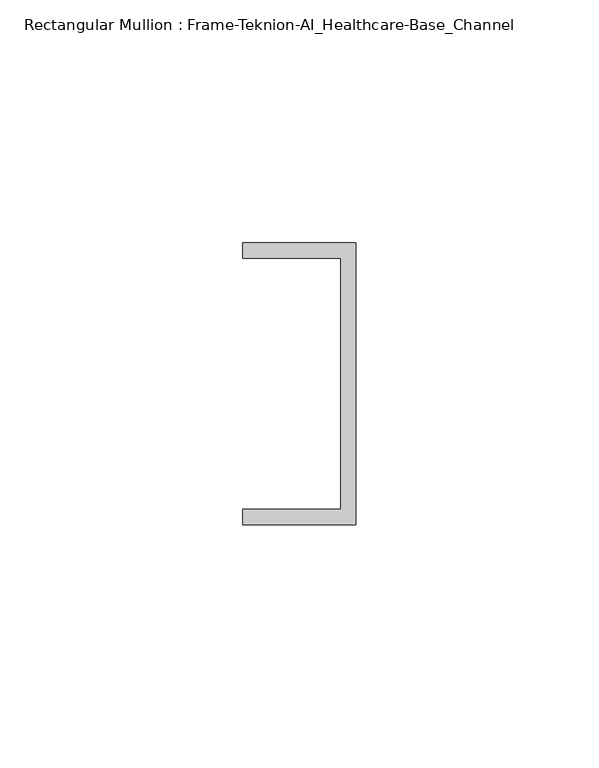
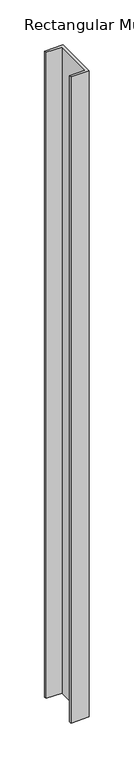
"""IFC4 building model written with IfcOpenShell, lengths in millimetres: member geometry, Rectangular Mullion : Frame-Teknion-AI_Healthcare-Base_Channel."""

import ifcopenshell
import ifcopenshell.guid

model = None  # the IFC model being written
_history = None  # IfcOwnerHistory: only IFC2X3 demands one
_inside = {}  # id of a spatial element -> (the spatial element, [elements in it])
_under = {}  # id of a project, library or spatial element -> (it, [spatial elements below it])
_declared = {}  # id of a project -> (the project, [libraries it declares])
_typed = {}  # id of a type object -> (the type object, [elements of that type])
_made_of = {}  # id of a material, layer set ... -> (it, [elements and type objects made of it])


def new_model(schema):
    """Start an empty IFC model of exactly this schema.

    Asked for "IFC4X3", IfcOpenShell would pick the latest addendum, in which some entities
    have other attributes; the version numbers below select the first issue.
    IFC2X3 requires an IfcOwnerHistory on every rooted entity: one is made here for all.
    """
    global model, _history
    if schema == "IFC4X3":
        model = ifcopenshell.file(schema_version=(4, 3, 0, 0))
    else:
        model = ifcopenshell.file(schema=schema)
    _inside.clear()
    _under.clear()
    _declared.clear()
    _typed.clear()
    _made_of.clear()
    _history = None
    if model.schema == "IFC2X3":
        org = make("IfcOrganization", Name="unknown")
        user = make(
            "IfcPersonAndOrganization",
            ThePerson=make("IfcPerson", FamilyName="unknown"),
            TheOrganization=org,
        )
        app = make(
            "IfcApplication",
            ApplicationDeveloper=org,
            Version="unknown",
            ApplicationFullName="unknown",
            ApplicationIdentifier="unknown",
        )
        _history = make(
            "IfcOwnerHistory",
            OwningUser=user,
            OwningApplication=app,
            ChangeAction="ADDED",
            CreationDate=0,
        )
    return model


def make(cls, **values):
    """One entity of the class cls with the attributes given. An attribute that is None is left unset."""
    return model.create_entity(
        cls, **{name: value for name, value in values.items() if value is not None}
    )


def rooted(cls, **values):
    """An entity with a GlobalId (a new one), such as an element, a storey or a relation."""
    return make(cls, GlobalId=ifcopenshell.guid.new(), OwnerHistory=_history, **values)


def si_unit(unit_type, name, prefix=None):
    """IfcSIUnit, for example si_unit("LENGTHUNIT", "METRE", prefix="MILLI")."""
    return make("IfcSIUnit", UnitType=unit_type, Prefix=prefix, Name=name)


def assignment(units):
    """IfcUnitAssignment: the units of a project."""
    return None if units is None else make("IfcUnitAssignment", Units=units)


def point(xyz):
    """IfcCartesianPoint."""
    return None if xyz is None else make("IfcCartesianPoint", Coordinates=xyz)


def direction(xyz):
    """IfcDirection."""
    return None if xyz is None else make("IfcDirection", DirectionRatios=xyz)


def frame(location, z_axis=None, x_axis=None):
    """IfcAxis2Placement3D, a coordinate frame: its origin and axes. An axis left out is left unset."""
    return make(
        "IfcAxis2Placement3D",
        Location=point(location),
        Axis=direction(z_axis),
        RefDirection=direction(x_axis),
    )


def origin():
    """The frame at (0, 0, 0) with its axes left unset."""
    return frame((0.0, 0.0, 0.0))


def place(relative_to, where):
    """IfcLocalPlacement: puts the frame where relative to a parent placement (None: the world)."""
    return make(
        "IfcLocalPlacement", PlacementRelTo=relative_to, RelativePlacement=where
    )


def context(
    kind, dimensions, precision=None, world=None, true_north=None, identifier=None
):
    """IfcGeometricRepresentationContext, for example the 3D "Model" context."""
    return make(
        "IfcGeometricRepresentationContext",
        ContextIdentifier=identifier,
        ContextType=kind,
        CoordinateSpaceDimension=dimensions,
        Precision=precision,
        WorldCoordinateSystem=world,
        TrueNorth=true_north,
    )


def project(units=None, contexts=None):
    """IfcProject with its units and contexts."""
    return rooted(
        "IfcProject",
        Name="project",
        RepresentationContexts=contexts,
        UnitsInContext=assignment(units),
    )


def spatial(cls, under=None, at=None, **own):
    """A site, building, storey or space (cls), placed at a placement, below another one or the project."""
    s = rooted(cls, ObjectPlacement=at, **own)
    if under is not None:
        _under.setdefault(under.id(), (under, []))[1].append(s)
    return s


def polyline(points):
    """IfcPolyline through the points."""
    return make("IfcPolyline", Points=[point(p) for p in points])


def outline(outer, holes=None, kind="AREA"):
    """IfcArbitraryClosedProfileDef: a profile drawn as a closed curve; with holes, ...WithVoids."""
    if holes is None:
        return make("IfcArbitraryClosedProfileDef", ProfileType=kind, OuterCurve=outer)
    return make(
        "IfcArbitraryProfileDefWithVoids",
        ProfileType=kind,
        OuterCurve=outer,
        InnerCurves=holes,
    )


def extrude(swept, where, along, depth):
    """IfcExtrudedAreaSolid: the profile swept, set in the frame where, extruded along a direction by depth."""
    return make(
        "IfcExtrudedAreaSolid",
        SweptArea=swept,
        Position=where,
        ExtrudedDirection=direction(along),
        Depth=depth,
    )


def shape(context_of_items, identifier, shape_type, items):
    """IfcShapeRepresentation: the items that make up one representation, for example the "Body"."""
    return make(
        "IfcShapeRepresentation",
        ContextOfItems=context_of_items,
        RepresentationIdentifier=identifier,
        RepresentationType=shape_type,
        Items=items,
    )


def source(mapping_origin, context_of_items, identifier, shape_type, items):
    """IfcRepresentationMap: a shape defined once, which mapped items show again and again."""
    return make(
        "IfcRepresentationMap",
        MappingOrigin=mapping_origin,
        MappedRepresentation=shape(context_of_items, identifier, shape_type, items),
    )


def transform(
    local_origin,
    x_axis=None,
    y_axis=None,
    z_axis=None,
    scale=None,
    scale2=None,
    scale3=None,
    uniform=True,
):
    """IfcCartesianTransformationOperator3D, or its non-uniform kind. x_axis, y_axis, z_axis: its Axis1, 2, 3."""
    if uniform:
        return make(
            "IfcCartesianTransformationOperator3D",
            Axis1=direction(x_axis),
            Axis2=direction(y_axis),
            LocalOrigin=point(local_origin),
            Scale=scale,
            Axis3=direction(z_axis),
        )
    return make(
        "IfcCartesianTransformationOperator3DnonUniform",
        Axis1=direction(x_axis),
        Axis2=direction(y_axis),
        LocalOrigin=point(local_origin),
        Scale=scale,
        Axis3=direction(z_axis),
        Scale2=scale2,
        Scale3=scale3,
    )


def mapped(mapping_source, mapping_target):
    """IfcMappedItem: shows the shape of a source again, moved by a transform."""
    return make(
        "IfcMappedItem", MappingSource=mapping_source, MappingTarget=mapping_target
    )


def made_of(thing, what):
    """Note that an element or type object is made of a material, layer set ...; save() writes the relation."""
    if what is not None:
        _made_of.setdefault(what.id(), (what, []))[1].append(thing)
    return thing


def element(
    cls,
    number,
    at=None,
    inside=None,
    cuts=None,
    type_object=None,
    material=None,
    context=None,
    identifier="Body",
    shape_type=None,
    held_by="IfcProductDefinitionShape",
    body=None,
    shapes=None,
    **own,
):
    """One element of the class cls, such as IfcWall. Its Tag is "e" and its number.

    at: its placement. inside: the storey or other place that contains it. cuts: it is an
    opening in that element (IfcRelVoidsElement). A single representation is given by context,
    identifier, shape_type and body (its items); several are given by shapes. held_by: the class
    of the entity that holds the representations. save() writes the other relations.
    """
    e = rooted(cls, Tag="e%d" % number, ObjectPlacement=at, **own)
    if body is not None:
        shapes = [shape(context, identifier, shape_type, body)]
    if shapes is not None:
        e.Representation = make(held_by, Representations=shapes)
    if inside is not None:
        _inside.setdefault(inside.id(), (inside, []))[1].append(e)
    if cuts is not None:
        rooted(
            "IfcRelVoidsElement", RelatingBuildingElement=cuts, RelatedOpeningElement=e
        )
    if type_object is not None:
        _typed.setdefault(type_object.id(), (type_object, []))[1].append(e)
    return made_of(e, material)


def aggregate(whole, parts):
    """IfcRelAggregates: a whole, such as a stair, and the parts it consists of."""
    return rooted("IfcRelAggregates", RelatingObject=whole, RelatedObjects=parts)


def save(model, path):
    """Write the relations noted so far, then the file.

    IfcRelAggregates (storeys below a building ...), IfcRelContainedInSpatialStructure (elements
    in a storey), IfcRelDefinesByType, IfcRelAssociatesMaterial and IfcRelDeclares: one each for
    every whole, place, type object, material and project.
    """
    for whole, parts in _under.values():
        aggregate(whole, parts)
    for where, things in _inside.values():
        rooted(
            "IfcRelContainedInSpatialStructure",
            RelatedElements=things,
            RelatingStructure=where,
        )
    for kind, things in _typed.values():
        rooted("IfcRelDefinesByType", RelatedObjects=things, RelatingType=kind)
    for what, things in _made_of.values():
        rooted("IfcRelAssociatesMaterial", RelatedObjects=things, RelatingMaterial=what)
    for by, libraries in _declared.values():
        rooted("IfcRelDeclares", RelatingContext=by, RelatedDefinitions=libraries)
    model.write(path)


def rectangular_mullion_frame_teknion_ai_healthcare_base_channel_b3f3851f(model_context):
    return source(origin(), model_context, "Body", "SweptSolid", [
        extrude(outline(polyline([(0.0, -29.0214844), (-23.3164063, -29.0214844), (-23.3164063, -25.8464844), (-3.175, -25.8464844), (-3.175, 25.8464844), (-23.3164063, 25.8464844), (-23.3164063, 29.0214844), (0.0, 29.0214844), (0.0, -29.0214844)])), frame((0.0, 0.0, -876.3), z_axis=(0.0, 0.0, 1.0), x_axis=(1.0, 0.0, 0.0)), (0.0, 0.0, 1.0), 876.3),
    ])


if __name__ == "__main__":
    model = new_model("IFC4")
    model_context = context("Model", 3, world=origin())
    ifc_project = project(units=[si_unit("LENGTHUNIT", "METRE", prefix="MILLI")], contexts=[model_context])
    site = spatial("IfcSite", under=ifc_project)
    building = spatial("IfcBuilding", under=site)
    placement = place(None, origin())
    rectangular_mullion_frame_teknion_ai_healthcare_base_channel_shape = rectangular_mullion_frame_teknion_ai_healthcare_base_channel_b3f3851f(model_context)
    element("IfcMember", 1, ObjectType="Rectangular Mullion : Frame-Teknion-AI_Healthcare-Base_Channel", at=placement, inside=building, context=model_context, shape_type="MappedRepresentation", body=[
        mapped(rectangular_mullion_frame_teknion_ai_healthcare_base_channel_shape, transform((0.0, 0.0, 0.0), x_axis=(1.0, 0.0, 0.0), y_axis=(0.0, 1.0, 0.0), z_axis=(0.0, 0.0, 1.0))),
    ])
    save(model, "model.ifc")
